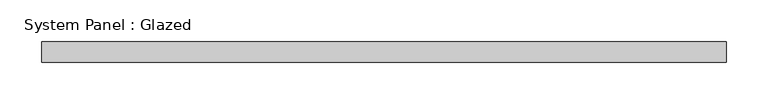
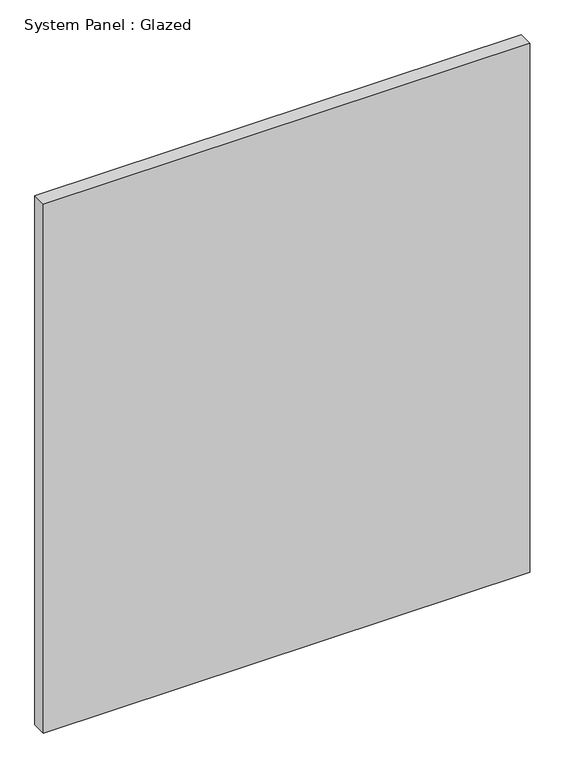
"""IFC4 building model written with IfcOpenShell, lengths in millimetres: plate geometry, System Panel : Glazed."""

from ifc_helpers import new_model, si_unit, origin, origin_with_axes, place, context, project, spatial, polyline, outline, extrude, source, transform, mapped, element, save


def system_panel_glazed_4b781002(model_context):
    return source(origin(), model_context, "Body", "SweptSolid", [
        extrude(outline(polyline([(412.5, -49.5), (-412.5, -49.5), (-412.5, -24.5), (412.5, -24.5), (412.5, -49.5)])), origin_with_axes(), (0.0, 0.0, 1.0), 948.3333333),
    ])


if __name__ == "__main__":
    model = new_model("IFC4")
    model_context = context("Model", 3, world=origin())
    ifc_project = project(units=[si_unit("LENGTHUNIT", "METRE", prefix="MILLI")], contexts=[model_context])
    site = spatial("IfcSite", under=ifc_project)
    building = spatial("IfcBuilding", under=site)
    placement = place(None, origin())
    system_panel_glazed_shape = system_panel_glazed_4b781002(model_context)
    element("IfcPlate", 1, ObjectType="System Panel : Glazed", at=placement, inside=building, context=model_context, shape_type="MappedRepresentation", body=[
        mapped(system_panel_glazed_shape, transform((0.0, 0.0, 0.0), x_axis=(1.0, 0.0, 0.0), y_axis=(0.0, 1.0, 0.0), z_axis=(0.0, 0.0, 1.0))),
    ])
    save(model, "model.ifc")
